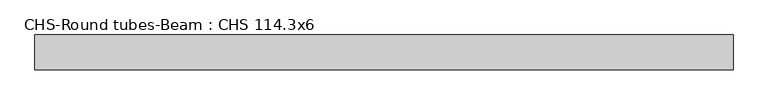
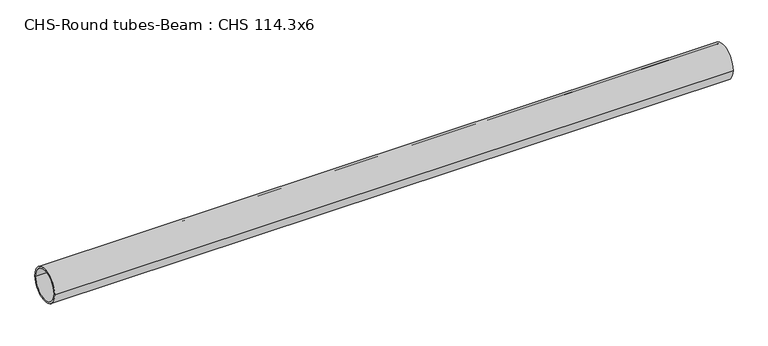
"""IFC4 building model written with IfcOpenShell, lengths in millimetres: beam geometry, CHS-Round tubes-Beam : CHS 114.3x6."""

from ifc_helpers import new_model, si_unit, point, frame, origin, origin_2d, place, context, project, spatial, circle_curve, trimmed, segment, composite_curve, outline, extrude, source, transform, mapped, element, save


def chs_round_tubes_beam_chs_114_3x6_caf1b45e(model_context):
    return source(origin(), model_context, "Body", "SweptSolid", [
        extrude(outline(composite_curve([segment(trimmed(circle_curve(origin_2d(), 57.15), [point((57.15, 0.0))], [point((-57.15, 0.0))], False, "CARTESIAN"), True, "CONTINUOUS"), segment(trimmed(circle_curve(origin_2d(), 57.15), [point((-57.15, 0.0))], [point((57.15, 0.0))], False, "CARTESIAN"), True, "CONTINUOUS")], self_intersect=False), holes=[composite_curve([segment(trimmed(circle_curve(origin_2d(), 51.15), [point((51.15, 0.0))], [point((-51.15, 0.0))], True, "CARTESIAN"), True, "CONTINUOUS"), segment(trimmed(circle_curve(origin_2d(), 51.15), [point((-51.15, 0.0))], [point((51.15, 0.0))], True, "CARTESIAN"), True, "CONTINUOUS")], self_intersect=False)]), frame((-959.2833962, 0.0, 0.0), z_axis=(1.0, 0.0, 0.0), x_axis=(0.0, 1.0, 0.0)), (0.0, 0.0, 1.0), 2280.0824614),
    ])


if __name__ == "__main__":
    model = new_model("IFC4")
    model_context = context("Model", 3, world=origin())
    ifc_project = project(units=[si_unit("LENGTHUNIT", "METRE", prefix="MILLI")], contexts=[model_context])
    site = spatial("IfcSite", under=ifc_project)
    building = spatial("IfcBuilding", under=site)
    placement = place(None, origin())
    chs_round_tubes_beam_chs_114_3x6_shape = chs_round_tubes_beam_chs_114_3x6_caf1b45e(model_context)
    element("IfcBeam", 1, ObjectType="CHS-Round tubes-Beam : CHS 114.3x6", at=placement, inside=building, context=model_context, shape_type="MappedRepresentation", body=[
        mapped(chs_round_tubes_beam_chs_114_3x6_shape, transform((0.0, 0.0, 0.0), x_axis=(1.0, 0.0, 0.0), y_axis=(0.0, 1.0, 0.0), z_axis=(0.0, 0.0, 1.0))),
    ])
    save(model, "model.ifc")
